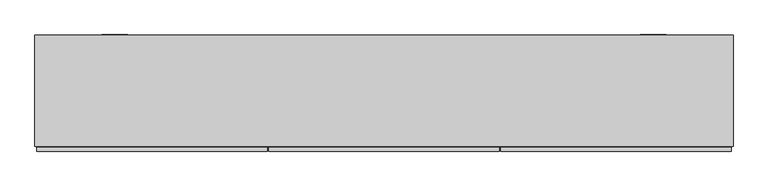
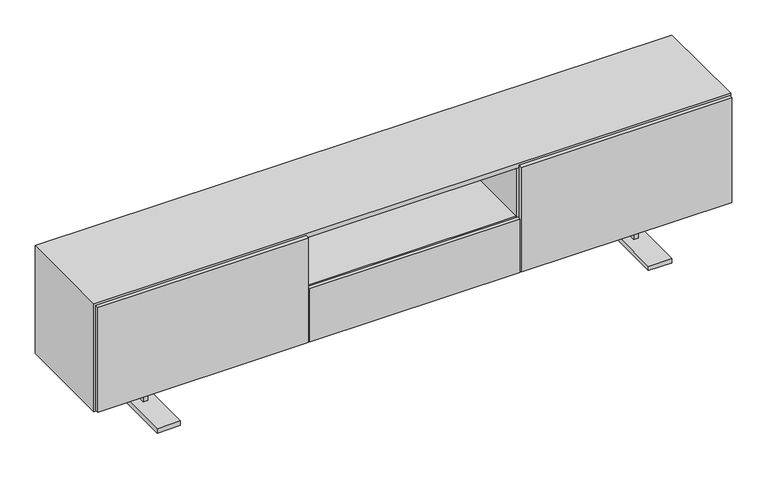
"""IFC4 building model written with IfcOpenShell, lengths in millimetres: furniture geometry."""

import ifcopenshell
import ifcopenshell.guid

model = None  # the IFC model being written
_history = None  # IfcOwnerHistory: only IFC2X3 demands one
_inside = {}  # id of a spatial element -> (the spatial element, [elements in it])
_under = {}  # id of a project, library or spatial element -> (it, [spatial elements below it])
_declared = {}  # id of a project -> (the project, [libraries it declares])
_typed = {}  # id of a type object -> (the type object, [elements of that type])
_made_of = {}  # id of a material, layer set ... -> (it, [elements and type objects made of it])


def new_model(schema):
    """Start an empty IFC model of exactly this schema.

    Asked for "IFC4X3", IfcOpenShell would pick the latest addendum, in which some entities
    have other attributes; the version numbers below select the first issue.
    IFC2X3 requires an IfcOwnerHistory on every rooted entity: one is made here for all.
    """
    global model, _history
    if schema == "IFC4X3":
        model = ifcopenshell.file(schema_version=(4, 3, 0, 0))
    else:
        model = ifcopenshell.file(schema=schema)
    _inside.clear()
    _under.clear()
    _declared.clear()
    _typed.clear()
    _made_of.clear()
    _history = None
    if model.schema == "IFC2X3":
        org = make("IfcOrganization", Name="unknown")
        user = make(
            "IfcPersonAndOrganization",
            ThePerson=make("IfcPerson", FamilyName="unknown"),
            TheOrganization=org,
        )
        app = make(
            "IfcApplication",
            ApplicationDeveloper=org,
            Version="unknown",
            ApplicationFullName="unknown",
            ApplicationIdentifier="unknown",
        )
        _history = make(
            "IfcOwnerHistory",
            OwningUser=user,
            OwningApplication=app,
            ChangeAction="ADDED",
            CreationDate=0,
        )
    return model


def make(cls, **values):
    """One entity of the class cls with the attributes given. An attribute that is None is left unset."""
    return model.create_entity(
        cls, **{name: value for name, value in values.items() if value is not None}
    )


def rooted(cls, **values):
    """An entity with a GlobalId (a new one), such as an element, a storey or a relation."""
    return make(cls, GlobalId=ifcopenshell.guid.new(), OwnerHistory=_history, **values)


def si_unit(unit_type, name, prefix=None):
    """IfcSIUnit, for example si_unit("LENGTHUNIT", "METRE", prefix="MILLI")."""
    return make("IfcSIUnit", UnitType=unit_type, Prefix=prefix, Name=name)


def assignment(units):
    """IfcUnitAssignment: the units of a project."""
    return None if units is None else make("IfcUnitAssignment", Units=units)


def point(xyz):
    """IfcCartesianPoint."""
    return None if xyz is None else make("IfcCartesianPoint", Coordinates=xyz)


def direction(xyz):
    """IfcDirection."""
    return None if xyz is None else make("IfcDirection", DirectionRatios=xyz)


def frame(location, z_axis=None, x_axis=None):
    """IfcAxis2Placement3D, a coordinate frame: its origin and axes. An axis left out is left unset."""
    return make(
        "IfcAxis2Placement3D",
        Location=point(location),
        Axis=direction(z_axis),
        RefDirection=direction(x_axis),
    )


def origin():
    """The frame at (0, 0, 0) with its axes left unset."""
    return frame((0.0, 0.0, 0.0))


def place(relative_to, where):
    """IfcLocalPlacement: puts the frame where relative to a parent placement (None: the world)."""
    return make(
        "IfcLocalPlacement", PlacementRelTo=relative_to, RelativePlacement=where
    )


def context(
    kind, dimensions, precision=None, world=None, true_north=None, identifier=None
):
    """IfcGeometricRepresentationContext, for example the 3D "Model" context."""
    return make(
        "IfcGeometricRepresentationContext",
        ContextIdentifier=identifier,
        ContextType=kind,
        CoordinateSpaceDimension=dimensions,
        Precision=precision,
        WorldCoordinateSystem=world,
        TrueNorth=true_north,
    )


def project(units=None, contexts=None):
    """IfcProject with its units and contexts."""
    return rooted(
        "IfcProject",
        Name="project",
        RepresentationContexts=contexts,
        UnitsInContext=assignment(units),
    )


def spatial(cls, under=None, at=None, **own):
    """A site, building, storey or space (cls), placed at a placement, below another one or the project."""
    s = rooted(cls, ObjectPlacement=at, **own)
    if under is not None:
        _under.setdefault(under.id(), (under, []))[1].append(s)
    return s


def polyline(points):
    """IfcPolyline through the points."""
    return make("IfcPolyline", Points=[point(p) for p in points])


def outline(outer, holes=None, kind="AREA"):
    """IfcArbitraryClosedProfileDef: a profile drawn as a closed curve; with holes, ...WithVoids."""
    if holes is None:
        return make("IfcArbitraryClosedProfileDef", ProfileType=kind, OuterCurve=outer)
    return make(
        "IfcArbitraryProfileDefWithVoids",
        ProfileType=kind,
        OuterCurve=outer,
        InnerCurves=holes,
    )


def extrude(swept, where, along, depth):
    """IfcExtrudedAreaSolid: the profile swept, set in the frame where, extruded along a direction by depth."""
    return make(
        "IfcExtrudedAreaSolid",
        SweptArea=swept,
        Position=where,
        ExtrudedDirection=direction(along),
        Depth=depth,
    )


def faces_of(points, faces, orient=None, outer=None):
    """IfcFace entities. A face is a list of loops; a loop is a list of indices into points, from 0.

    orient and outer hold one flag for each loop. By default every Orientation is true, the
    first loop of a face is its IfcFaceOuterBound and the others are IfcFaceBound.
    """
    made = []
    for i, loops in enumerate(faces):
        bounds = []
        for j, loop in enumerate(loops):
            is_outer = j == 0 if outer is None else outer[i][j]
            bounds.append(
                make(
                    "IfcFaceOuterBound" if is_outer else "IfcFaceBound",
                    Bound=make("IfcPolyLoop", Polygon=[points[k] for k in loop]),
                    Orientation=True if orient is None else orient[i][j],
                )
            )
        made.append(make("IfcFace", Bounds=bounds))
    return made


def faceted_brep(points, faces, orient=None, outer=None, voids=None):
    """IfcFacetedBrep: a solid bounded by flat faces; with voids (closed shells), ...WithVoids."""
    shared = [point(p) for p in points]
    hull = make("IfcClosedShell", CfsFaces=faces_of(shared, faces, orient, outer))
    if voids is None:
        return make("IfcFacetedBrep", Outer=hull)
    return make(
        "IfcFacetedBrepWithVoids",
        Outer=hull,
        Voids=[
            make(cls, CfsFaces=faces_of(shared, fs, o, b)) for cls, fs, o, b in voids
        ],
    )


def shape(context_of_items, identifier, shape_type, items):
    """IfcShapeRepresentation: the items that make up one representation, for example the "Body"."""
    return make(
        "IfcShapeRepresentation",
        ContextOfItems=context_of_items,
        RepresentationIdentifier=identifier,
        RepresentationType=shape_type,
        Items=items,
    )


def source(mapping_origin, context_of_items, identifier, shape_type, items):
    """IfcRepresentationMap: a shape defined once, which mapped items show again and again."""
    return make(
        "IfcRepresentationMap",
        MappingOrigin=mapping_origin,
        MappedRepresentation=shape(context_of_items, identifier, shape_type, items),
    )


def transform(
    local_origin,
    x_axis=None,
    y_axis=None,
    z_axis=None,
    scale=None,
    scale2=None,
    scale3=None,
    uniform=True,
):
    """IfcCartesianTransformationOperator3D, or its non-uniform kind. x_axis, y_axis, z_axis: its Axis1, 2, 3."""
    if uniform:
        return make(
            "IfcCartesianTransformationOperator3D",
            Axis1=direction(x_axis),
            Axis2=direction(y_axis),
            LocalOrigin=point(local_origin),
            Scale=scale,
            Axis3=direction(z_axis),
        )
    return make(
        "IfcCartesianTransformationOperator3DnonUniform",
        Axis1=direction(x_axis),
        Axis2=direction(y_axis),
        LocalOrigin=point(local_origin),
        Scale=scale,
        Axis3=direction(z_axis),
        Scale2=scale2,
        Scale3=scale3,
    )


def mapped(mapping_source, mapping_target):
    """IfcMappedItem: shows the shape of a source again, moved by a transform."""
    return make(
        "IfcMappedItem", MappingSource=mapping_source, MappingTarget=mapping_target
    )


def made_of(thing, what):
    """Note that an element or type object is made of a material, layer set ...; save() writes the relation."""
    if what is not None:
        _made_of.setdefault(what.id(), (what, []))[1].append(thing)
    return thing


def element(
    cls,
    number,
    at=None,
    inside=None,
    cuts=None,
    type_object=None,
    material=None,
    context=None,
    identifier="Body",
    shape_type=None,
    held_by="IfcProductDefinitionShape",
    body=None,
    shapes=None,
    **own,
):
    """One element of the class cls, such as IfcWall. Its Tag is "e" and its number.

    at: its placement. inside: the storey or other place that contains it. cuts: it is an
    opening in that element (IfcRelVoidsElement). A single representation is given by context,
    identifier, shape_type and body (its items); several are given by shapes. held_by: the class
    of the entity that holds the representations. save() writes the other relations.
    """
    e = rooted(cls, Tag="e%d" % number, ObjectPlacement=at, **own)
    if body is not None:
        shapes = [shape(context, identifier, shape_type, body)]
    if shapes is not None:
        e.Representation = make(held_by, Representations=shapes)
    if inside is not None:
        _inside.setdefault(inside.id(), (inside, []))[1].append(e)
    if cuts is not None:
        rooted(
            "IfcRelVoidsElement", RelatingBuildingElement=cuts, RelatedOpeningElement=e
        )
    if type_object is not None:
        _typed.setdefault(type_object.id(), (type_object, []))[1].append(e)
    return made_of(e, material)


def aggregate(whole, parts):
    """IfcRelAggregates: a whole, such as a stair, and the parts it consists of."""
    return rooted("IfcRelAggregates", RelatingObject=whole, RelatedObjects=parts)


def save(model, path):
    """Write the relations noted so far, then the file.

    IfcRelAggregates (storeys below a building ...), IfcRelContainedInSpatialStructure (elements
    in a storey), IfcRelDefinesByType, IfcRelAssociatesMaterial and IfcRelDeclares: one each for
    every whole, place, type object, material and project.
    """
    for whole, parts in _under.values():
        aggregate(whole, parts)
    for where, things in _inside.values():
        rooted(
            "IfcRelContainedInSpatialStructure",
            RelatedElements=things,
            RelatingStructure=where,
        )
    for kind, things in _typed.values():
        rooted("IfcRelDefinesByType", RelatedObjects=things, RelatingType=kind)
    for what, things in _made_of.values():
        rooted("IfcRelAssociatesMaterial", RelatedObjects=things, RelatingMaterial=what)
    for by, libraries in _declared.values():
        rooted("IfcRelDeclares", RelatingContext=by, RelatedDefinitions=libraries)
    model.write(path)


def furniture_1dbde10b(model_context):
    return source(origin(), model_context, "Body", "SolidModel", [
        extrude(outline(polyline([(-444.86576, 15.00124), (444.86576, 15.00124), (444.86576, 0.0), (-444.86576, 0.0), (-444.86576, 15.00124)])), frame((0.0, 0.0, 184.15), z_axis=(0.0, 0.0, 1.0), x_axis=(1.0, 0.0, 0.0)), (0.0, 0.0, 1.0), 241.3),
        extrude(outline(polyline([(451.1942652, 15.00124), (1343.025, 15.00124), (1343.025, 0.0), (451.1942652, 0.0), (451.1942652, 15.00124)])), frame((0.0, 0.0, 184.15), z_axis=(0.0, 0.0, 1.0), x_axis=(1.0, 0.0, 0.0)), (0.0, 0.0, 1.0), 469.9),
        extrude(outline(polyline([(-450.9791859, 15.00124), (-450.9791859, 0.0), (-1343.025, 0.0), (-1343.025, 15.00124), (-450.9791859, 15.00124)])), frame((0.0, 0.0, 184.15), z_axis=(0.0, 0.0, 1.0), x_axis=(1.0, 0.0, 0.0)), (0.0, 0.0, 1.0), 469.9),
        extrude(outline(polyline([(459.3166667, 18.0186515), (440.2666667, 18.0186515), (440.2666667, 422.0013096), (459.3166667, 422.0013096), (459.3166667, 18.0186515)])), frame((0.0, 0.0, 196.85), z_axis=(0.0, 0.0, 1.0), x_axis=(1.0, 0.0, 0.0)), (0.0, 0.0, 1.0), 444.5),
        extrude(outline(polyline([(-440.2666667, 18.0186515), (-459.3166667, 18.0186515), (-459.3166667, 422.0013096), (-440.2666667, 422.0013096), (-440.2666667, 18.0186515)])), frame((0.0, 0.0, 196.85), z_axis=(0.0, 0.0, 1.0), x_axis=(1.0, 0.0, 0.0)), (0.0, 0.0, 1.0), 444.5),
        faceted_brep([(1349.375, 17.9867211, 660.4), (-1349.375, 17.9867211, 660.4), (-1349.375, 17.9867211, 177.8), (1349.375, 17.9867211, 177.8), (-1330.325, 17.9867211, 641.35), (1330.325, 17.9867211, 641.35), (1330.325, 17.9867211, 196.85), (-1330.325, 17.9867211, 196.85), (1349.375, 449.7947037, 660.4), (1349.375, 449.7947037, 177.8), (-1349.375, 449.7947037, 177.8), (-1349.375, 449.7947037, 660.4), (-1330.325, 430.7447037, 641.35), (1330.325, 430.7447037, 641.35), (1330.325, 430.7447037, 196.85), (-1330.325, 430.7447037, 196.85)], [[[0, 1, 2, 3], [4, 5, 6, 7]], [[8, 9, 10, 11]], [[1, 0, 8, 11]], [[2, 1, 11, 10]], [[3, 2, 10, 9]], [[0, 3, 9, 8]], [[5, 4, 12, 13]], [[6, 5, 13, 14]], [[7, 6, 14, 15]], [[4, 7, 15, 12]], [[13, 12, 15, 14]]]),
        extrude(outline(polyline([(1330.325, 17.9867211), (-1330.325, 17.9867211), (-1330.325, 430.7447037), (1330.325, 430.7447037), (1330.325, 17.9867211)])), frame((0.0, 0.0, 409.575), z_axis=(0.0, 0.0, 1.0), x_axis=(1.0, 0.0, 0.0)), (0.0, 0.0, 1.0), 19.05),
        faceted_brep([(-1048.8500055, 176.5600381, 177.8), (-1029.8000055, 176.5600381, 177.8), (-1029.8000055, 217.0600955, 177.8), (1029.8000055, 217.0600955, 177.8), (1029.8000055, 176.5600381, 177.8), (1048.8500055, 176.5600381, 177.8), (1048.8500055, 274.5652025, 177.8), (1029.8000055, 274.5652025, 177.8), (1029.8000055, 236.3625606, 177.8), (-1029.8000055, 236.3625606, 177.8), (-1029.8000055, 274.5652025, 177.8), (-1048.8500055, 274.5652025, 177.8), (-1048.8500055, 176.5600381, 19.8859728), (-1029.8000055, 176.5600381, 19.8859728), (-1029.8000055, 217.0600955, 19.8859728), (-991.3499542, 217.0600955, 127.0), (991.3499542, 217.0600955, 127.0), (991.3499542, 217.0600955, 19.8859728), (1029.8000055, 217.0600955, 19.8859728), (-991.3499542, 217.0600955, 19.8859728), (-991.3499542, 236.3625606, 127.0), (-991.3499542, 2.270077, 19.8859728), (-991.3499542, 2.270077, 0.0), (-991.3499542, 450.85, 0.0), (-991.3499542, 450.85, 19.8859728), (-991.3499542, 236.3625606, 19.8859728), (991.3499542, 236.3625606, 127.0), (-1029.8000055, 236.3625606, 19.8859728), (1029.8000055, 236.3625606, 19.8859728), (991.3499542, 236.3625606, 19.8859728), (-1029.8000055, 274.5652025, 19.8859728), (-1048.8500055, 274.5652025, 19.8859728), (1029.8000055, 176.5600381, 19.8859728), (1048.8500055, 176.5600381, 19.8859728), (991.3499542, 450.85, 19.8859728), (991.3499542, 450.85, 0.0), (991.3499542, 2.270077, 0.0), (991.3499542, 2.270077, 19.8859728), (1029.8000055, 274.5652025, 19.8859728), (1048.8500055, 274.5652025, 19.8859728), (-1090.350016, 450.85, 19.8859728), (-1090.350016, 2.270077, 19.8859728), (-1090.350016, 2.270077, 0.0), (-1090.350016, 450.85, 0.0), (1090.350016, 2.270077, 19.8859728), (1090.350016, 450.85, 19.8859728), (1090.350016, 450.85, 0.0), (1090.350016, 2.270077, 0.0)], [[[0, 1, 2, 3, 4, 5, 6, 7, 8, 9, 10, 11]], [[1, 0, 12, 13]], [[2, 1, 13, 14]], [[15, 16, 17, 18, 3, 2, 14, 19]], [[20, 15, 19, 21, 22, 23, 24, 25]], [[26, 20, 25, 27, 9, 8, 28, 29]], [[10, 9, 27, 30]], [[11, 10, 30, 31]], [[0, 11, 31, 12]], [[20, 26, 16, 15]], [[5, 4, 32, 33]], [[4, 3, 18, 32]], [[26, 29, 34, 35, 36, 37, 17, 16]], [[8, 7, 38, 28]], [[7, 6, 39, 38]], [[6, 5, 33, 39]], [[24, 40, 41, 21, 19, 14, 13, 12, 31, 30, 27, 25]], [[23, 22, 42, 43]], [[40, 24, 23, 43]], [[41, 40, 43, 42]], [[21, 41, 42, 22]], [[37, 44, 45, 34, 29, 28, 38, 39, 33, 32, 18, 17]], [[35, 46, 47, 36]], [[34, 45, 46, 35]], [[45, 44, 47, 46]], [[44, 37, 36, 47]]]),
    ])


if __name__ == "__main__":
    model = new_model("IFC4")
    model_context = context("Model", 3, world=origin())
    ifc_project = project(units=[si_unit("LENGTHUNIT", "METRE", prefix="MILLI")], contexts=[model_context])
    site = spatial("IfcSite", under=ifc_project)
    building = spatial("IfcBuilding", under=site)
    placement = place(None, origin())
    furniture_shape = furniture_1dbde10b(model_context)
    element("IfcFurniture", 1, at=placement, inside=building, context=model_context, shape_type="MappedRepresentation", body=[
        mapped(furniture_shape, transform((0.0, 0.0, 0.0), x_axis=(1.0, 0.0, 0.0), y_axis=(0.0, 1.0, 0.0), z_axis=(0.0, 0.0, 1.0))),
    ])
    save(model, "model.ifc")
